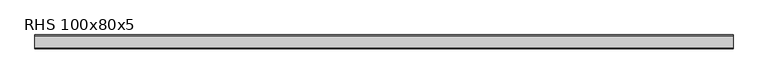
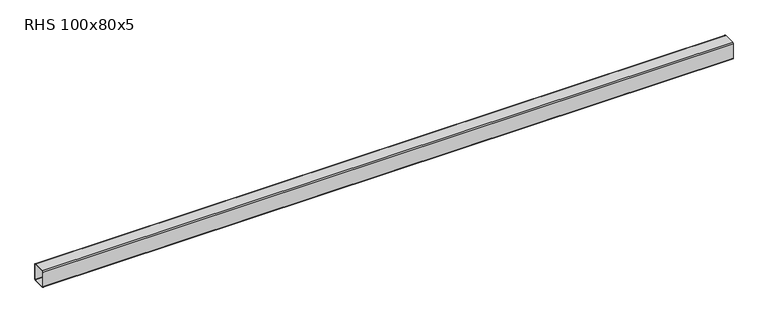
"""IFC4 building model written with IfcOpenShell, lengths in millimetres: beam geometry, RHS 100x80x5."""

from ifc_helpers import new_model, si_unit, point, frame, frame_2d, origin, place, context, project, spatial, polyline, circle_curve, trimmed, segment, composite_curve, outline, extrude, source, transform, mapped, element, save


def rhs_100x80x5_15de7886(model_context):
    return source(origin(), model_context, "Body", "SweptSolid", [
        extrude(outline(composite_curve([segment(polyline([(40.0, 45.0), (40.0, -45.0)]), True, "CONTINUOUS"), segment(trimmed(circle_curve(frame_2d((35.0, -45.0)), 5.0), [point((40.0, -45.0))], [point((35.0, -50.0))], False, "CARTESIAN"), True, "CONTINUOUS"), segment(polyline([(35.0, -50.0), (-35.0, -50.0)]), True, "CONTINUOUS"), segment(trimmed(circle_curve(frame_2d((-35.0, -45.0)), 5.0), [point((-35.0, -50.0))], [point((-40.0, -45.0))], False, "CARTESIAN"), True, "CONTINUOUS"), segment(polyline([(-40.0, -45.0), (-40.0, 45.0)]), True, "CONTINUOUS"), segment(trimmed(circle_curve(frame_2d((-35.0, 45.0)), 5.0), [point((-40.0, 45.0))], [point((-35.0, 50.0))], False, "CARTESIAN"), True, "CONTINUOUS"), segment(polyline([(-35.0, 50.0), (35.0, 50.0)]), True, "CONTINUOUS"), segment(trimmed(circle_curve(frame_2d((35.0, 45.0)), 5.0), [point((35.0, 50.0))], [point((40.0, 45.0))], False, "CARTESIAN"), True, "CONTINUOUS")], self_intersect=False), holes=[composite_curve([segment(trimmed(circle_curve(frame_2d((-35.0, 45.0)), 2.5), [point((-35.0, 47.5))], [point((-37.5, 45.0))], True, "CARTESIAN"), True, "CONTINUOUS"), segment(polyline([(-37.5, 45.0), (-37.5, -45.0)]), True, "CONTINUOUS"), segment(trimmed(circle_curve(frame_2d((-35.0, -45.0)), 2.5), [point((-37.5, -45.0))], [point((-35.0, -47.5))], True, "CARTESIAN"), True, "CONTINUOUS"), segment(polyline([(-35.0, -47.5), (35.0, -47.5)]), True, "CONTINUOUS"), segment(trimmed(circle_curve(frame_2d((35.0, -45.0)), 2.5), [point((35.0, -47.5))], [point((37.5, -45.0))], True, "CARTESIAN"), True, "CONTINUOUS"), segment(polyline([(37.5, -45.0), (37.5, 45.0)]), True, "CONTINUOUS"), segment(trimmed(circle_curve(frame_2d((35.0, 45.0)), 2.5), [point((37.5, 45.0))], [point((35.0, 47.5))], True, "CARTESIAN"), True, "CONTINUOUS"), segment(polyline([(35.0, 47.5), (-35.0, 47.5)]), True, "CONTINUOUS")], self_intersect=False)]), frame((-2001.1860652, 0.0, 0.0), z_axis=(1.0, 0.0, 0.0), x_axis=(0.0, 1.0, 0.0)), (0.0, 0.0, 1.0), 4015.0721309),
    ])


if __name__ == "__main__":
    model = new_model("IFC4")
    model_context = context("Model", 3, world=origin())
    ifc_project = project(units=[si_unit("LENGTHUNIT", "METRE", prefix="MILLI")], contexts=[model_context])
    site = spatial("IfcSite", under=ifc_project)
    building = spatial("IfcBuilding", under=site)
    placement = place(None, origin())
    rhs_100x80x5_shape = rhs_100x80x5_15de7886(model_context)
    element("IfcBeam", 1, ObjectType="RHS 100x80x5", at=placement, inside=building, context=model_context, shape_type="MappedRepresentation", body=[
        mapped(rhs_100x80x5_shape, transform((0.0, 0.0, 0.0), x_axis=(1.0, 0.0, 0.0), y_axis=(0.0, 1.0, 0.0), z_axis=(0.0, 0.0, 1.0))),
    ])
    save(model, "model.ifc")
